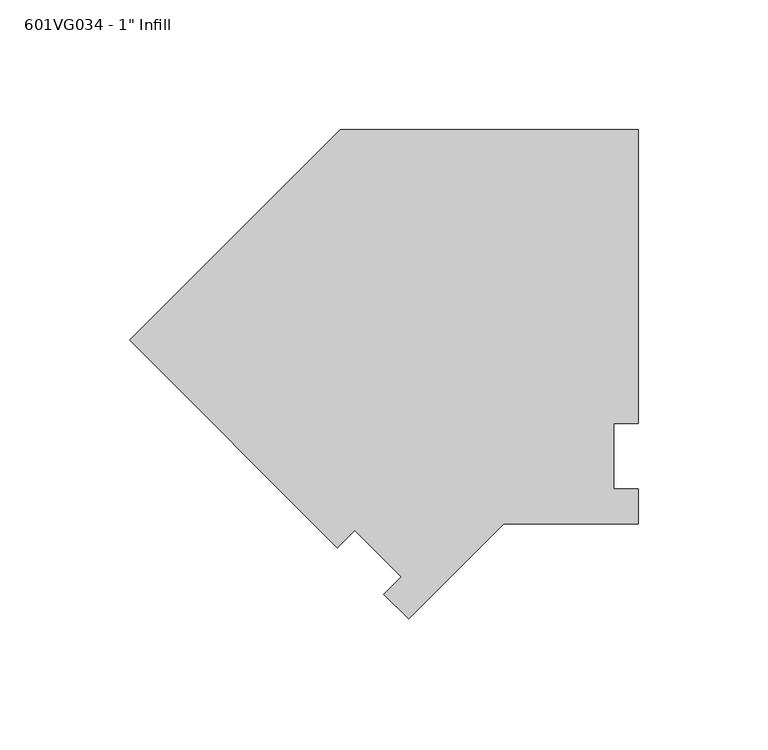
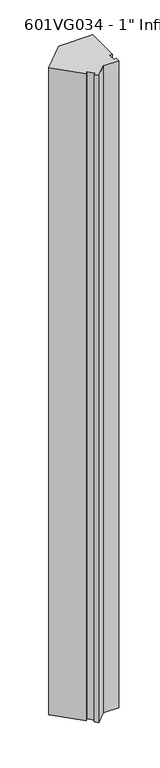
"""IFC4 building model written with IfcOpenShell, lengths in millimetres: proxy geometry."""

from ifc_helpers import new_model, si_unit, frame, origin, place, context, project, spatial, polyline, outline, extrude, source, transform, mapped, element, save


def proxy_e3ee9761(model_context):
    return source(origin(), model_context, "Body", "SweptSolid", [
        extrude(outline(polyline([(-133.6599115, 44.8226789), (-52.2763404, 126.20625), (62.8174096, 126.20625), (62.8174096, 12.7), (53.2924096, 12.7), (53.2924096, -12.7), (62.8174096, -12.7), (62.8174096, -26.19375), (10.8498065, -26.19375), (-25.8968381, -62.9403946), (-35.4383602, -53.3988724), (-28.7031681, -46.6636803), (-46.6636803, -28.7031681), (-53.3988724, -35.4383602), (-133.6599115, 44.8226789)])), frame((0.0, 0.0, 50.8), z_axis=(0.0, 0.0, 1.0), x_axis=(1.0, 0.0, 0.0)), (0.0, 0.0, 1.0), 2324.1),
    ])


if __name__ == "__main__":
    model = new_model("IFC4")
    model_context = context("Model", 3, world=origin())
    ifc_project = project(units=[si_unit("LENGTHUNIT", "METRE", prefix="MILLI")], contexts=[model_context])
    site = spatial("IfcSite", under=ifc_project)
    building = spatial("IfcBuilding", under=site)
    placement = place(None, origin())
    proxy_shape = proxy_e3ee9761(model_context)
    element("IfcBuildingElementProxy", 1, Name="601VG034 - 1\" Infill", ObjectType="601VG034 - 1\" Infill", at=placement, inside=building, context=model_context, shape_type="MappedRepresentation", body=[
        mapped(proxy_shape, transform((0.0, 0.0, 0.0), x_axis=(1.0, 0.0, 0.0), y_axis=(0.0, 1.0, 0.0), z_axis=(0.0, 0.0, 1.0))),
    ])
    save(model, "model.ifc")
